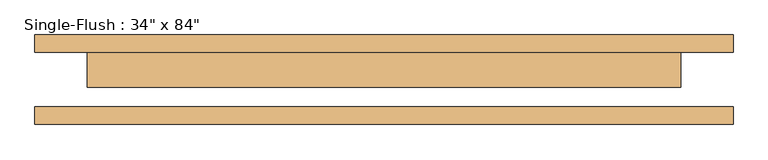
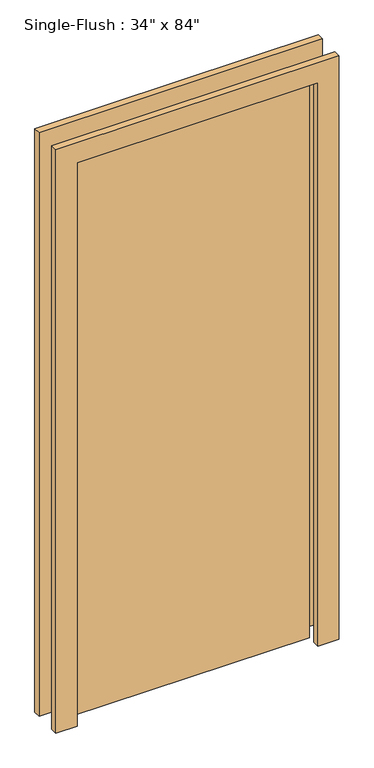
"""IFC4 building model written with IfcOpenShell, lengths in millimetres: door geometry."""

from ifc_helpers import new_model, si_unit, frame, origin, origin_with_axes, place, context, project, spatial, polyline, outline, extrude, source, transform, mapped, element, save


def door_1b96371b(model_context):
    return source(origin(), model_context, "Body", "SweptSolid", [
        extrude(outline(polyline([(2209.8, -508.0), (0.0, -508.0), (0.0, -431.8), (2133.6, -431.8), (2133.6, 431.8), (0.0, 431.8), (0.0, 508.0), (2209.8, 508.0), (2209.8, -508.0)])), frame((0.0, 39.6875, 0.0), z_axis=(0.0, 1.0, 0.0), x_axis=(0.0, 0.0, 1.0)), (0.0, 0.0, 1.0), 25.4),
        extrude(outline(polyline([(2209.8, 508.0), (2209.8, -508.0), (0.0, -508.0), (0.0, -431.8), (2133.6, -431.8), (2133.6, 431.8), (0.0, 431.8), (0.0, 508.0), (2209.8, 508.0)])), frame((0.0, -65.0875, 0.0), z_axis=(0.0, 1.0, 0.0), x_axis=(0.0, 0.0, 1.0)), (0.0, 0.0, 1.0), 25.4),
        extrude(outline(polyline([(431.8, -11.1125), (-431.8, -11.1125), (-431.8, 39.6875), (431.8, 39.6875), (431.8, -11.1125)])), origin_with_axes(), (0.0, 0.0, 1.0), 2133.6),
    ])


if __name__ == "__main__":
    model = new_model("IFC4")
    model_context = context("Model", 3, world=origin())
    ifc_project = project(units=[si_unit("LENGTHUNIT", "METRE", prefix="MILLI")], contexts=[model_context])
    site = spatial("IfcSite", under=ifc_project)
    building = spatial("IfcBuilding", under=site)
    placement = place(None, origin())
    door_shape = door_1b96371b(model_context)
    element("IfcDoor", 1, ObjectType="Single-Flush : 34\" x 84\"", at=placement, inside=building, context=model_context, shape_type="MappedRepresentation", body=[
        mapped(door_shape, transform((0.0, 0.0, 0.0), x_axis=(1.0, 0.0, 0.0), y_axis=(0.0, 1.0, 0.0), z_axis=(0.0, 0.0, 1.0))),
    ])
    save(model, "model.ifc")
